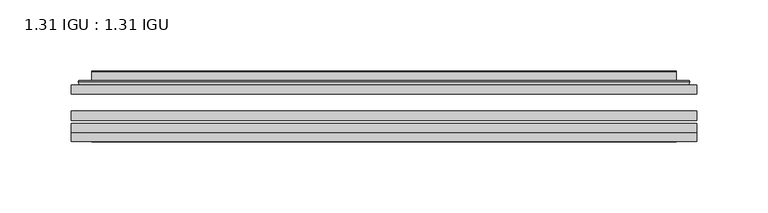
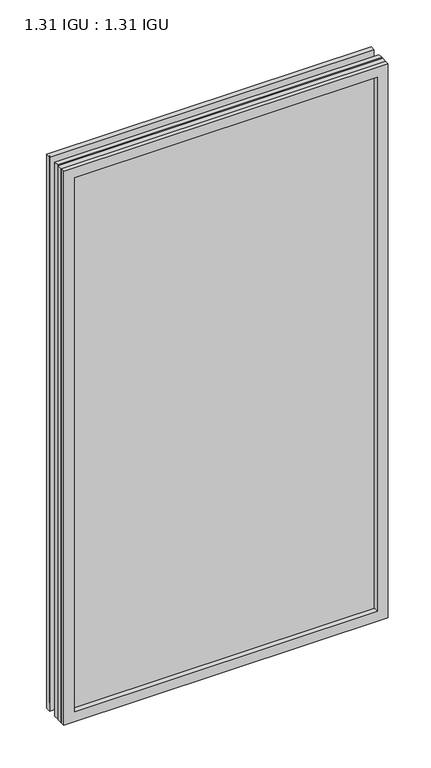
"""IFC4 building model written with IfcOpenShell, lengths in millimetres: plate geometry, 1.31 IGU : 1.31 IGU."""

from ifc_helpers import new_model, si_unit, frame, origin, place, context, project, spatial, polyline, ellipse_curve, outline, extrude, faceted_brep, source, transform, mapped, element, save
from ifc_brep_helpers import plane_surface, cylinder_surface, advanced_brep


def plate_1_31_igu_1_31_igu_18ab5661(model_context):
    return source(origin(), model_context, "Body", "SolidModel", [
        extrude(outline(polyline([(219.089175, -63.2975937), (219.089175, -69.6475938), (-219.075, -69.6475938), (-219.075, -63.2975937), (219.089175, -63.2975937)])), frame((0.0, 0.0, -14.2875), z_axis=(0.0, 0.0, 1.0), x_axis=(1.0, 0.0, 0.0)), (0.0, 0.0, 1.0), 790.596575),
        extrude(outline(polyline([(-219.075, -78.2835938), (-219.075, -71.9330887), (219.089175, -71.9330887), (219.089175, -78.2835938), (-219.075, -78.2835938)])), frame((0.0, 0.0, -14.2875), z_axis=(0.0, 0.0, 1.0), x_axis=(1.0, 0.0, 0.0)), (0.0, 0.0, 1.0), 790.596575),
        extrude(outline(polyline([(219.089175, -44.9587937), (219.089175, -51.3087938), (-219.075, -51.3087938), (-219.075, -44.9587937), (219.089175, -44.9587937)])), frame((0.0, 0.0, -14.2875), z_axis=(0.0, 0.0, 1.0), x_axis=(1.0, 0.0, 0.0)), (0.0, 0.0, 1.0), 790.596575),
        faceted_brep([(-219.0877, -84.6335937, 776.3179772), (-219.0877, -78.2835937, 776.3179772), (-219.0877, -78.2835937, -14.3002), (-219.0877, -84.6335937, -14.3002), (219.0877, -78.2835937, -14.3002), (219.0877, -84.6335937, -14.3002), (219.0877, -78.2835937, 776.3179772), (219.0877, -84.6335937, 776.3179772), (-203.8897559, -78.2835937, 0.8977441), (203.8897559, -78.2835937, 0.8977441), (203.8897559, -78.2835937, 761.120033), (-203.8897559, -78.2835937, 761.120033), (-204.7821902, -84.6335937, 762.0124673), (204.7821902, -84.6335937, 762.0124673), (204.7821902, -84.6335937, 0.0053098), (-204.7821902, -84.6335937, 0.0053098)], [[[0, 1, 2, 3]], [[3, 2, 4, 5]], [[5, 4, 6, 7]], [[1, 6, 4, 2], [8, 9, 10, 11]], [[7, 6, 1, 0]], [[3, 5, 7, 0], [12, 13, 14, 15]], [[11, 12, 15, 8]], [[8, 15, 14, 9]], [[9, 14, 13, 10]], [[10, 13, 12, 11]]]),
        advanced_brep(
        [(-211.833719, -44.9587937, 769.0639962), (-214.1879244, -42.9691271, 771.4182015), (-214.1879244, -42.9691271, -9.4004244), (-211.833719, -44.9587937, -7.046219), (-202.7593939, -41.1187568, 759.9896711), (-197.8245621, -44.9587937, 755.0548392), (-197.8245621, -44.9587937, 6.9629379), (-202.7593939, -41.1187568, 2.0281061), (-203.7914217, -35.7215256, 761.0216988), (-203.7914217, -35.7215256, 0.9960783), (-204.7820784, -35.3225507, 762.0123556), (-204.7820784, -35.3225507, 0.0054216), (-204.7820784, -41.7837937, 762.0123556), (-204.7820784, -41.7837937, 0.0054216), (-213.1861349, -41.7837937, 770.416412), (-213.1861349, -41.7837937, -8.3986349), (214.1879244, -42.9691271, -9.4004244), (211.833719, -44.9587937, -7.046219), (197.8245621, -44.9587937, 6.9629379), (202.7593939, -41.1187568, 2.0281061), (203.7914217, -35.7215256, 0.9960783), (204.7820784, -35.3225507, 0.0054216), (204.7820784, -41.7837937, 0.0054216), (213.1861349, -41.7837937, -8.3986349), (214.1879244, -42.9691271, 771.4182015), (211.833719, -44.9587937, 769.0639962), (197.8245621, -44.9587937, 755.0548392), (202.7593939, -41.1187568, 759.9896711), (203.7914217, -35.7215256, 761.0216988), (204.7820784, -35.3225507, 762.0123556), (204.7820784, -41.7837937, 762.0123556), (213.1861349, -41.7837937, 770.416412)],
        [
            (0, 1, ellipse_curve(frame((-211.833719, -42.5711937, 769.0639962), z_axis=(-0.7071067811865475, 0.0, -0.7071067811865475), x_axis=(-0.7071067811865474, 0.0, 0.7071067811865476)), 3.3765763, 2.3876)),
            (1, 2),
            (2, 3, ellipse_curve(frame((-211.833719, -42.5711937, -7.046219), z_axis=(-0.7071067811865475, 0.0, 0.7071067811865475), x_axis=(0.7071067811865474, 0.0, 0.7071067811865476)), 3.3765763, 2.3876)),
            (3, 0),
            (4, 5),
            (5, 6),
            (6, 7),
            (7, 4),
            (8, 4),
            (7, 9),
            (9, 8),
            (10, 8, ellipse_curve(frame((-204.4151219, -35.840786, 761.645399), z_axis=(-0.7071067811865475, 0.0, -0.7071067811865475), x_axis=(-0.7071067811865474, 0.0, 0.7071067811865476)), 0.8980256, 0.635)),
            (9, 11, ellipse_curve(frame((-204.4151219, -35.840786, 0.3723781), z_axis=(-0.7071067811865475, 0.0, 0.7071067811865475), x_axis=(0.7071067811865474, 0.0, 0.7071067811865476)), 0.8980256, 0.635)),
            (11, 10),
            (12, 10),
            (11, 13),
            (13, 12),
            (1, 14, ellipse_curve(frame((-213.1861349, -42.7997937, 770.416412), z_axis=(-0.7071067811865475, 0.0, -0.7071067811865475), x_axis=(-0.7071067811865474, 0.0, 0.7071067811865476)), 1.436841, 1.016)),
            (14, 15),
            (15, 2, ellipse_curve(frame((-213.1861349, -42.7997937, -8.3986349), z_axis=(-0.7071067811865475, 0.0, 0.7071067811865475), x_axis=(0.7071067811865474, 0.0, 0.7071067811865476)), 1.436841, 1.016)),
            (2, 16),
            (16, 17, ellipse_curve(frame((211.833719, -42.5711937, -7.046219), z_axis=(-0.7071067811865475, 0.0, -0.7071067811865475), x_axis=(-0.7071067811865476, 0.0, 0.7071067811865474)), 3.3765763, 2.3876)),
            (17, 3),
            (6, 18),
            (18, 19),
            (19, 7),
            (19, 20),
            (20, 9),
            (20, 21, ellipse_curve(frame((204.4151219, -35.840786, 0.3723781), z_axis=(-0.7071067811865475, 0.0, -0.7071067811865475), x_axis=(-0.7071067811865476, 0.0, 0.7071067811865474)), 0.8980256, 0.635)),
            (21, 11),
            (21, 22),
            (22, 13),
            (15, 23),
            (23, 16, ellipse_curve(frame((213.1861349, -42.7997937, -8.3986349), z_axis=(-0.7071067811865475, 0.0, -0.7071067811865475), x_axis=(-0.7071067811865476, 0.0, 0.7071067811865474)), 1.436841, 1.016)),
            (16, 24),
            (24, 25, ellipse_curve(frame((211.833719, -42.5711937, 769.0639962), z_axis=(0.7071067811865475, 0.0, -0.7071067811865475), x_axis=(-0.7071067811865474, 0.0, -0.7071067811865476)), 3.3765763, 2.3876)),
            (25, 17),
            (18, 26),
            (26, 27),
            (27, 19),
            (27, 28),
            (28, 20),
            (28, 29, ellipse_curve(frame((204.4151219, -35.840786, 761.645399), z_axis=(0.7071067811865475, 0.0, -0.7071067811865475), x_axis=(-0.7071067811865474, 0.0, -0.7071067811865476)), 0.8980256, 0.635)),
            (29, 21),
            (29, 30),
            (30, 22),
            (23, 31),
            (31, 24, ellipse_curve(frame((213.1861349, -42.7997937, 770.416412), z_axis=(0.7071067811865475, 0.0, -0.7071067811865475), x_axis=(-0.7071067811865474, 0.0, -0.7071067811865476)), 1.436841, 1.016)),
            (24, 1),
            (0, 25),
            (5, 26),
            (4, 27),
            (8, 28),
            (10, 29),
            (12, 30),
            (14, 31),
        ],
        [
            cylinder_surface(frame((-211.833719, -42.5711937, 793.7677772), z_axis=(0.0, 0.0, 1.0), x_axis=(-1.0, 0.0, 0.0)), 2.3876),
            plane_surface(frame((-197.8245621, -44.9587937, 755.0548392), z_axis=(0.6141233906514794, 0.7892100234124821, 0.0), x_axis=(0.0, 0.0, -1.0))),
            plane_surface(frame((-202.7593939, -41.1187568, 759.9896711), z_axis=(0.9822050625507729, 0.18781164793386076, 0.0), x_axis=(0.0, 0.0, -1.0))),
            cylinder_surface(frame((-204.4151219, -35.840786, 793.7677772), z_axis=(0.0, 0.0, 1.0), x_axis=(-1.0, 0.0, 0.0)), 0.635),
            plane_surface(frame((-204.7820784, -35.3225507, 762.0123556), z_axis=(-1.0, 0.0, 0.0), x_axis=(0.0, 0.0, -1.0))),
            cylinder_surface(frame((-213.1861349, -42.7997937, 793.7677772), z_axis=(0.0, 0.0, 1.0), x_axis=(-1.0, 0.0, 0.0)), 1.016),
            cylinder_surface(frame((-236.5375, -42.5711937, -7.046219), z_axis=(-1.0, 0.0, 0.0), x_axis=(0.0, 0.0, -1.0)), 2.3876),
            plane_surface(frame((-197.8245621, -44.9587937, 6.9629379), z_axis=(0.0, 0.7892100234124841, 0.6141233906514768), x_axis=(1.0, 0.0, 0.0))),
            plane_surface(frame((-202.7593939, -41.1187568, 2.0281061), z_axis=(0.0, 0.18781164793386393, 0.9822050625507723), x_axis=(1.0, 0.0, 0.0))),
            cylinder_surface(frame((-236.5375, -35.840786, 0.3723781), z_axis=(-1.0, 0.0, 0.0), x_axis=(0.0, 0.0, -1.0)), 0.635),
            plane_surface(frame((-204.7820784, -35.3225507, 0.0054216), z_axis=(0.0, 0.0, -1.0), x_axis=(1.0, 0.0, 0.0))),
            cylinder_surface(frame((-236.5375, -42.7997937, -8.3986349), z_axis=(-1.0, 0.0, 0.0), x_axis=(0.0, 0.0, -1.0)), 1.016),
            cylinder_surface(frame((211.833719, -42.5711937, -31.75), z_axis=(0.0, 0.0, -1.0), x_axis=(1.0, 0.0, 0.0)), 2.3876),
            plane_surface(frame((197.8245621, -44.9587937, 6.9629379), z_axis=(-0.6141233906514743, 0.7892100234124861, 0.0), x_axis=(0.0, 0.0, 1.0))),
            plane_surface(frame((202.7593939, -41.1187568, 2.0281061), z_axis=(-0.9822050625507718, 0.1878116479338671, 0.0), x_axis=(0.0, 0.0, 1.0))),
            cylinder_surface(frame((204.4151219, -35.840786, -31.75), z_axis=(0.0, 0.0, -1.0), x_axis=(1.0, 0.0, 0.0)), 0.635),
            plane_surface(frame((204.7820784, -35.3225507, 0.0054216), z_axis=(1.0, 0.0, 0.0), x_axis=(0.0, 0.0, 1.0))),
            cylinder_surface(frame((213.1861349, -42.7997937, -31.75), z_axis=(0.0, 0.0, -1.0), x_axis=(1.0, 0.0, 0.0)), 1.016),
            cylinder_surface(frame((236.5375, -42.5711937, 769.0639962), z_axis=(1.0, 0.0, 0.0), x_axis=(0.0, 0.0, 1.0)), 2.3876),
            plane_surface(frame((211.833719, -44.9587937, 769.0639962), z_axis=(0.0, -1.0, 0.0), x_axis=(-1.0, 0.0, 0.0))),
            plane_surface(frame((197.8245621, -44.9587937, 755.0548392), z_axis=(0.0, 0.7892100234124841, -0.6141233906514768), x_axis=(-1.0, 0.0, 0.0))),
            plane_surface(frame((202.7593939, -41.1187568, 759.9896711), z_axis=(0.0, 0.18781164793386393, -0.9822050625507723), x_axis=(-1.0, 0.0, 0.0))),
            cylinder_surface(frame((236.5375, -35.840786, 761.645399), z_axis=(1.0, 0.0, 0.0), x_axis=(0.0, 0.0, 1.0)), 0.635),
            plane_surface(frame((204.7820784, -35.3225507, 762.0123556), z_axis=(0.0, 0.0, 1.0), x_axis=(-1.0, 0.0, 0.0))),
            plane_surface(frame((204.7820784, -41.7837937, 762.0123556), z_axis=(0.0, 1.0, 0.0), x_axis=(-1.0, 0.0, 0.0))),
            cylinder_surface(frame((236.5375, -42.7997937, 770.416412), z_axis=(1.0, 0.0, 0.0), x_axis=(0.0, 0.0, 1.0)), 1.016),
        ],
        [
            (0, [[1, 2, 3, 4]]),
            (1, [[5, 6, 7, 8]]),
            (2, [[9, -8, 10, 11]]),
            (3, [[12, -11, 13, 14]]),
            (4, [[15, -14, 16, 17]]),
            (5, [[18, 19, 20, -2]]),
            (6, [[-3, 21, 22, 23]]),
            (7, [[-7, 24, 25, 26]]),
            (8, [[-10, -26, 27, 28]]),
            (9, [[-13, -28, 29, 30]]),
            (10, [[-16, -30, 31, 32]]),
            (11, [[-20, 33, 34, -21]]),
            (12, [[-22, 35, 36, 37]]),
            (13, [[-25, 38, 39, 40]]),
            (14, [[-27, -40, 41, 42]]),
            (15, [[-29, -42, 43, 44]]),
            (16, [[-31, -44, 45, 46]]),
            (17, [[-34, 47, 48, -35]]),
            (18, [[-36, 49, -1, 50]]),
            (19, [[-23, -37, -50, -4], [51, -38, -24, -6]]),
            (20, [[-39, -51, -5, 52]]),
            (21, [[-41, -52, -9, 53]]),
            (22, [[-43, -53, -12, 54]]),
            (23, [[-45, -54, -15, 55]]),
            (24, [[56, -47, -33, -19], [-32, -46, -55, -17]]),
            (25, [[-48, -56, -18, -49]]),
        ],
    ),
    ])


if __name__ == "__main__":
    model = new_model("IFC4")
    model_context = context("Model", 3, world=origin())
    ifc_project = project(units=[si_unit("LENGTHUNIT", "METRE", prefix="MILLI")], contexts=[model_context])
    site = spatial("IfcSite", under=ifc_project)
    building = spatial("IfcBuilding", under=site)
    placement = place(None, origin())
    plate_1_31_igu_1_31_igu_shape = plate_1_31_igu_1_31_igu_18ab5661(model_context)
    element("IfcPlate", 1, ObjectType="1.31 IGU : 1.31 IGU", at=placement, inside=building, context=model_context, shape_type="MappedRepresentation", body=[
        mapped(plate_1_31_igu_1_31_igu_shape, transform((0.0, 0.0, 0.0), x_axis=(1.0, 0.0, 0.0), y_axis=(0.0, 1.0, 0.0), z_axis=(0.0, 0.0, 1.0))),
    ])
    save(model, "model.ifc")
